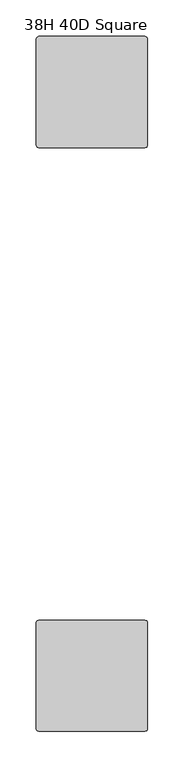
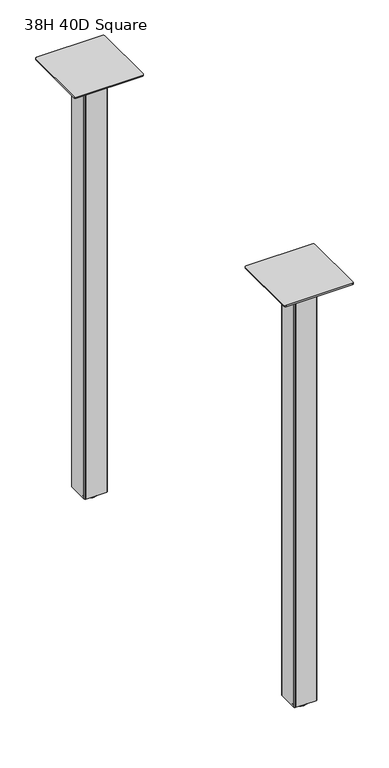
"""IFC4 building model written with IfcOpenShell, lengths in millimetres: furniture geometry, 38H 40D Square."""

from ifc_helpers import new_model, si_unit, frame, origin, place, context, project, spatial, polyline, circle_curve, outline, extrude, source, transform, mapped, element, save
from ifc_brep_helpers import plane_surface, cylinder_surface, revolved_surface, advanced_brep


def furniture_38h_40d_square_3769aa8c(model_context):
    return source(origin(), model_context, "Body", "SolidModel", [
        extrude(outline(polyline([(82.5508751, -130.809957), (82.5508751, -85.0899643), (83.2948249, -83.2939256), (85.0907849, -82.550003), (130.8109622, -82.550003), (132.6069222, -83.2939256), (133.350872, -85.0899643), (133.350872, -130.809957), (132.6069222, -132.606032), (130.8107429, -133.3500091), (85.0910042, -133.3500091), (83.2948249, -132.606032), (82.5508751, -130.809957)])), frame((0.0, 0.0, 10.1608624), z_axis=(0.0, 0.0, 1.0), x_axis=(1.0, 0.0, 0.0)), (0.0, 0.0, 1.0), 981.202),
        extrude(outline(polyline([(82.5508751, -930.9099865), (82.5508751, -885.1899938), (83.2948249, -883.3939552), (85.0907849, -882.6500326), (130.8109622, -882.6500326), (132.6069222, -883.3939552), (133.350872, -885.1899938), (133.350872, -930.9099865), (132.6069222, -932.7060615), (130.8107429, -933.4500386), (85.0910042, -933.4500386), (83.2948249, -932.7060615), (82.5508751, -930.9099865)])), frame((0.0, 0.0, 10.1608624), z_axis=(0.0, 0.0, 1.0), x_axis=(1.0, 0.0, 0.0)), (0.0, 0.0, 1.0), 981.202),
        extrude(outline(polyline([(31.7508849, -834.8980259), (32.6436243, -832.7427636), (34.7988843, -831.8500265), (181.102881, -831.8500265), (183.2581455, -832.7427636), (184.1508781, -834.8980259), (184.1508781, -981.2020271), (183.2581455, -983.3572917), (181.1029194, -984.2500083), (34.7988459, -984.2500083), (32.6436243, -983.3572917), (31.7508849, -981.2020271), (31.7508849, -834.8980259)])), frame((0.0, 0.0, 991.3628623), z_axis=(0.0, 0.0, 1.0), x_axis=(1.0, 0.0, 0.0)), (0.0, 0.0, 1.0), 3.048),
        advanced_brep(
        [(107.9508872, -908.0500356, 11.1759893), (119.1268856, -908.0500356, 11.1759893), (96.7748888, -908.0500356, 11.1759893), (95.2064298, -908.0500356, 0.0), (120.6953446, -908.0500356, 0.0), (107.9508872, -908.0500356, 0.0), (92.111765, -908.0500356, 0.4083326), (123.7900094, -908.0500356, 0.4083326), (90.7852289, -908.0500356, 2.0055462), (125.1165454, -908.0500356, 2.0055462), (90.7852289, -908.0500356, 4.3444296), (125.1165454, -908.0500356, 4.3444296), (92.111765, -908.0500356, 5.9416431), (123.7900094, -908.0500356, 5.9416431), (93.6849338, -908.0500356, 6.3499758), (122.2168405, -908.0500356, 6.3499758), (96.7748888, -908.0500356, 6.3499758), (119.1268856, -908.0500356, 6.3499758)],
        [
            (0, 1),
            (1, 2, circle_curve(frame((107.9508872, -908.0500356, 11.1759893), z_axis=(0.0, 0.0, 1.0), x_axis=(1.0, 0.0, 0.0)), 11.1759984)),
            (2, 0),
            (2, 1, circle_curve(frame((107.9508872, -908.0500356, 11.1759893), z_axis=(0.0, 0.0, 1.0), x_axis=(1.0, 0.0, 0.0)), 11.1759984)),
            (3, 4, circle_curve(frame((107.9508872, -908.0500356, 0.0), z_axis=(0.0, 0.0, -1.0), x_axis=(1.0, 0.0, 0.0)), 12.7444574)),
            (4, 5),
            (5, 3),
            (4, 3, circle_curve(frame((107.9508872, -908.0500356, 0.0), z_axis=(0.0, 0.0, -1.0), x_axis=(1.0, 0.0, 0.0)), 12.7444574)),
            (6, 7, circle_curve(frame((107.9508872, -908.0500356, 0.4083326), z_axis=(0.0, 0.0, -1.0), x_axis=(1.0, 0.0, 0.0)), 15.8391222)),
            (7, 4),
            (3, 6),
            (7, 6, circle_curve(frame((107.9508872, -908.0500356, 0.4083326), z_axis=(0.0, 0.0, -1.0), x_axis=(1.0, 0.0, 0.0)), 15.8391222)),
            (8, 9, circle_curve(frame((107.9508872, -908.0500356, 2.0055462), z_axis=(0.0, 0.0, -1.0), x_axis=(1.0, 0.0, 0.0)), 17.1656583)),
            (9, 7),
            (6, 8),
            (9, 8, circle_curve(frame((107.9508872, -908.0500356, 2.0055462), z_axis=(0.0, 0.0, -1.0), x_axis=(1.0, 0.0, 0.0)), 17.1656583)),
            (10, 11, circle_curve(frame((107.9508872, -908.0500356, 4.3444296), z_axis=(0.0, 0.0, -1.0), x_axis=(1.0, 0.0, 0.0)), 17.1656583)),
            (11, 9),
            (8, 10),
            (11, 10, circle_curve(frame((107.9508872, -908.0500356, 4.3444296), z_axis=(0.0, 0.0, -1.0), x_axis=(1.0, 0.0, 0.0)), 17.1656583)),
            (12, 13, circle_curve(frame((107.9508872, -908.0500356, 5.9416431), z_axis=(0.0, 0.0, -1.0), x_axis=(1.0, 0.0, 0.0)), 15.8391222)),
            (13, 11),
            (10, 12),
            (13, 12, circle_curve(frame((107.9508872, -908.0500356, 5.9416431), z_axis=(0.0, 0.0, -1.0), x_axis=(1.0, 0.0, 0.0)), 15.8391222)),
            (14, 15, circle_curve(frame((107.9508872, -908.0500356, 6.3499758), z_axis=(0.0, 0.0, -1.0), x_axis=(1.0, 0.0, 0.0)), 14.2659534)),
            (15, 13),
            (12, 14),
            (15, 14, circle_curve(frame((107.9508872, -908.0500356, 6.3499758), z_axis=(0.0, 0.0, -1.0), x_axis=(1.0, 0.0, 0.0)), 14.2659534)),
            (16, 17, circle_curve(frame((107.9508872, -908.0500356, 6.3499758), z_axis=(0.0, 0.0, -1.0), x_axis=(1.0, 0.0, 0.0)), 11.1759984)),
            (17, 15),
            (14, 16),
            (17, 16, circle_curve(frame((107.9508872, -908.0500356, 6.3499758), z_axis=(0.0, 0.0, -1.0), x_axis=(1.0, 0.0, 0.0)), 11.1759984)),
            (1, 17),
            (16, 2),
        ],
        [
            plane_surface(frame((107.9508872, -908.0500356, 11.1759893), z_axis=(0.0, 0.0, 1.0), x_axis=(1.0, 0.0, 0.0))),
            plane_surface(frame((107.9508872, -908.0500356, 0.0), z_axis=(0.0, 0.0, -1.0), x_axis=(1.0, 0.0, 0.0))),
            revolved_surface(polyline([(120.6953446, -908.0500356, 0.0), (123.7900094, -908.0500356, 0.4083326)]), (107.9508872, -908.0500356, 11.1759893), (0.0, 0.0, 1.0)),
            revolved_surface(polyline([(123.7900094, -908.0500356, 0.4083326), (125.1165454, -908.0500356, 2.0055462)]), (107.9508872, -908.0500356, 11.1759893), (0.0, 0.0, 1.0)),
            cylinder_surface(frame((107.9508872, -908.0500356, 11.1759893), z_axis=(0.0, 0.0, 1.0), x_axis=(1.0, 0.0, 0.0)), 17.1656583),
            revolved_surface(polyline([(125.1165454, -908.0500356, 4.3444296), (123.7900094, -908.0500356, 5.9416431)]), (107.9508872, -908.0500356, 11.1759893), (0.0, 0.0, 1.0)),
            revolved_surface(polyline([(123.7900094, -908.0500356, 5.9416431), (122.2168405, -908.0500356, 6.3499758)]), (107.9508872, -908.0500356, 11.1759893), (0.0, 0.0, 1.0)),
            plane_surface(frame((107.9508872, -908.0500356, 6.3499758), z_axis=(0.0, 0.0, 1.0), x_axis=(1.0, 0.0, 0.0))),
            cylinder_surface(frame((107.9508872, -908.0500356, 11.1759893), z_axis=(0.0, 0.0, 1.0), x_axis=(1.0, 0.0, 0.0)), 11.1759984),
        ],
        [
            (0, [[1, 2, 3]]),
            (0, [[-3, 4, -1]]),
            (1, [[5, 6, 7]]),
            (1, [[8, -7, -6]]),
            (2, [[9, 10, -5, 11]]),
            (2, [[12, -11, -8, -10]]),
            (3, [[13, 14, -9, 15]]),
            (3, [[16, -15, -12, -14]]),
            (4, [[17, 18, -13, 19]]),
            (4, [[20, -19, -16, -18]]),
            (5, [[21, 22, -17, 23]]),
            (5, [[24, -23, -20, -22]]),
            (6, [[25, 26, -21, 27]]),
            (6, [[28, -27, -24, -26]]),
            (7, [[29, 30, -25, 31]]),
            (7, [[32, -31, -28, -30]]),
            (8, [[-2, 33, -29, 34]]),
            (8, [[-4, -34, -32, -33]]),
        ],
    ),
        advanced_brep(
        [(107.9508872, -107.9500061, 11.1759893), (119.1268856, -107.9500061, 11.1759893), (96.7748888, -107.9500061, 11.1759893), (95.2064298, -107.9500061, 0.0), (120.6953446, -107.9500061, 0.0), (107.9508872, -107.9500061, 0.0), (92.111765, -107.9500061, 0.4083326), (123.7900094, -107.9500061, 0.4083326), (90.7852289, -107.9500061, 2.0055462), (125.1165454, -107.9500061, 2.0055462), (90.7852289, -107.9500061, 4.3444296), (125.1165454, -107.9500061, 4.3444296), (92.111765, -107.9500061, 5.9416431), (123.7900094, -107.9500061, 5.9416431), (93.6849338, -107.9500061, 6.3499758), (122.2168405, -107.9500061, 6.3499758), (96.7748888, -107.9500061, 6.3499758), (119.1268856, -107.9500061, 6.3499758)],
        [
            (0, 1),
            (1, 2, circle_curve(frame((107.9508872, -107.9500061, 11.1759893), z_axis=(0.0, 0.0, 1.0), x_axis=(1.0, 0.0, 0.0)), 11.1759984)),
            (2, 0),
            (2, 1, circle_curve(frame((107.9508872, -107.9500061, 11.1759893), z_axis=(0.0, 0.0, 1.0), x_axis=(1.0, 0.0, 0.0)), 11.1759984)),
            (3, 4, circle_curve(frame((107.9508872, -107.9500061, 0.0), z_axis=(0.0, 0.0, -1.0), x_axis=(1.0, 0.0, 0.0)), 12.7444574)),
            (4, 5),
            (5, 3),
            (4, 3, circle_curve(frame((107.9508872, -107.9500061, 0.0), z_axis=(0.0, 0.0, -1.0), x_axis=(1.0, 0.0, 0.0)), 12.7444574)),
            (6, 7, circle_curve(frame((107.9508872, -107.9500061, 0.4083326), z_axis=(0.0, 0.0, -1.0), x_axis=(1.0, 0.0, 0.0)), 15.8391222)),
            (7, 4),
            (3, 6),
            (7, 6, circle_curve(frame((107.9508872, -107.9500061, 0.4083326), z_axis=(0.0, 0.0, -1.0), x_axis=(1.0, 0.0, 0.0)), 15.8391222)),
            (8, 9, circle_curve(frame((107.9508872, -107.9500061, 2.0055462), z_axis=(0.0, 0.0, -1.0), x_axis=(1.0, 0.0, 0.0)), 17.1656583)),
            (9, 7),
            (6, 8),
            (9, 8, circle_curve(frame((107.9508872, -107.9500061, 2.0055462), z_axis=(0.0, 0.0, -1.0), x_axis=(1.0, 0.0, 0.0)), 17.1656583)),
            (10, 11, circle_curve(frame((107.9508872, -107.9500061, 4.3444296), z_axis=(0.0, 0.0, -1.0), x_axis=(1.0, 0.0, 0.0)), 17.1656583)),
            (11, 9),
            (8, 10),
            (11, 10, circle_curve(frame((107.9508872, -107.9500061, 4.3444296), z_axis=(0.0, 0.0, -1.0), x_axis=(1.0, 0.0, 0.0)), 17.1656583)),
            (12, 13, circle_curve(frame((107.9508872, -107.9500061, 5.9416431), z_axis=(0.0, 0.0, -1.0), x_axis=(1.0, 0.0, 0.0)), 15.8391222)),
            (13, 11),
            (10, 12),
            (13, 12, circle_curve(frame((107.9508872, -107.9500061, 5.9416431), z_axis=(0.0, 0.0, -1.0), x_axis=(1.0, 0.0, 0.0)), 15.8391222)),
            (14, 15, circle_curve(frame((107.9508872, -107.9500061, 6.3499758), z_axis=(0.0, 0.0, -1.0), x_axis=(1.0, 0.0, 0.0)), 14.2659534)),
            (15, 13),
            (12, 14),
            (15, 14, circle_curve(frame((107.9508872, -107.9500061, 6.3499758), z_axis=(0.0, 0.0, -1.0), x_axis=(1.0, 0.0, 0.0)), 14.2659534)),
            (16, 17, circle_curve(frame((107.9508872, -107.9500061, 6.3499758), z_axis=(0.0, 0.0, -1.0), x_axis=(1.0, 0.0, 0.0)), 11.1759984)),
            (17, 15),
            (14, 16),
            (17, 16, circle_curve(frame((107.9508872, -107.9500061, 6.3499758), z_axis=(0.0, 0.0, -1.0), x_axis=(1.0, 0.0, 0.0)), 11.1759984)),
            (1, 17),
            (16, 2),
        ],
        [
            plane_surface(frame((107.9508872, -107.9500061, 11.1759893), z_axis=(0.0, 0.0, 1.0), x_axis=(1.0, 0.0, 0.0))),
            plane_surface(frame((107.9508872, -107.9500061, 0.0), z_axis=(0.0, 0.0, -1.0), x_axis=(1.0, 0.0, 0.0))),
            revolved_surface(polyline([(120.6953446, -107.9500061, 0.0), (123.7900094, -107.9500061, 0.4083326)]), (107.9508872, -107.9500061, 11.1759893), (0.0, 0.0, 1.0)),
            revolved_surface(polyline([(123.7900094, -107.9500061, 0.4083326), (125.1165454, -107.9500061, 2.0055462)]), (107.9508872, -107.9500061, 11.1759893), (0.0, 0.0, 1.0)),
            cylinder_surface(frame((107.9508872, -107.9500061, 11.1759893), z_axis=(0.0, 0.0, 1.0), x_axis=(1.0, 0.0, 0.0)), 17.1656583),
            revolved_surface(polyline([(125.1165454, -107.9500061, 4.3444296), (123.7900094, -107.9500061, 5.9416431)]), (107.9508872, -107.9500061, 11.1759893), (0.0, 0.0, 1.0)),
            revolved_surface(polyline([(123.7900094, -107.9500061, 5.9416431), (122.2168405, -107.9500061, 6.3499758)]), (107.9508872, -107.9500061, 11.1759893), (0.0, 0.0, 1.0)),
            plane_surface(frame((107.9508872, -107.9500061, 6.3499758), z_axis=(0.0, 0.0, 1.0), x_axis=(1.0, 0.0, 0.0))),
            cylinder_surface(frame((107.9508872, -107.9500061, 11.1759893), z_axis=(0.0, 0.0, 1.0), x_axis=(1.0, 0.0, 0.0)), 11.1759984),
        ],
        [
            (0, [[1, 2, 3]]),
            (0, [[-3, 4, -1]]),
            (1, [[5, 6, 7]]),
            (1, [[8, -7, -6]]),
            (2, [[9, 10, -5, 11]]),
            (2, [[12, -11, -8, -10]]),
            (3, [[13, 14, -9, 15]]),
            (3, [[16, -15, -12, -14]]),
            (4, [[17, 18, -13, 19]]),
            (4, [[20, -19, -16, -18]]),
            (5, [[21, 22, -17, 23]]),
            (5, [[24, -23, -20, -22]]),
            (6, [[25, 26, -21, 27]]),
            (6, [[28, -27, -24, -26]]),
            (7, [[29, 30, -25, 31]]),
            (7, [[32, -31, -28, -30]]),
            (8, [[-2, 33, -29, 34]]),
            (8, [[-4, -34, -32, -33]]),
        ],
    ),
        extrude(outline(polyline([(31.7508849, -34.7980077), (32.6436243, -32.6427454), (34.7988843, -31.7500083), (181.102881, -31.7500083), (183.2581455, -32.6427454), (184.1508781, -34.7980077), (184.1508781, -181.102009), (183.2581455, -183.2572735), (181.102881, -184.1500061), (34.7988843, -184.1500061), (32.6436243, -183.2572735), (31.7508849, -181.102009), (31.7508849, -34.7980077)])), frame((0.0, 0.0, 991.3628623), z_axis=(0.0, 0.0, 1.0), x_axis=(1.0, 0.0, 0.0)), (0.0, 0.0, 1.0), 3.048),
    ])


if __name__ == "__main__":
    model = new_model("IFC4")
    model_context = context("Model", 3, world=origin())
    ifc_project = project(units=[si_unit("LENGTHUNIT", "METRE", prefix="MILLI")], contexts=[model_context])
    site = spatial("IfcSite", under=ifc_project)
    building = spatial("IfcBuilding", under=site)
    placement = place(None, origin())
    furniture_38h_40d_square_shape = furniture_38h_40d_square_3769aa8c(model_context)
    element("IfcFurniture", 1, ObjectType="38H 40D Square", at=placement, inside=building, context=model_context, shape_type="MappedRepresentation", body=[
        mapped(furniture_38h_40d_square_shape, transform((0.0, 0.0, 0.0), x_axis=(1.0, 0.0, 0.0), y_axis=(0.0, 1.0, 0.0), z_axis=(0.0, 0.0, 1.0))),
    ])
    save(model, "model.ifc")
